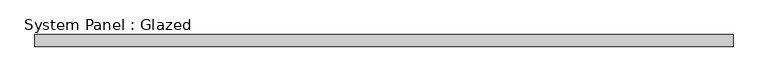
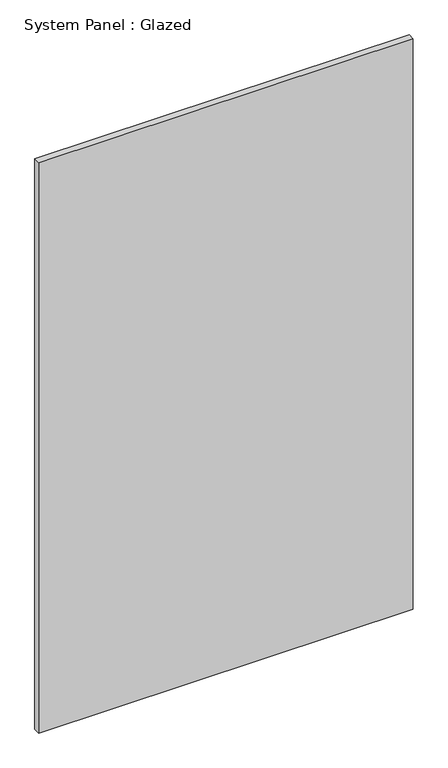
"""IFC4 building model written with IfcOpenShell, lengths in millimetres: plate geometry, System Panel : Glazed."""

from ifc_helpers import new_model, si_unit, origin, origin_with_axes, place, context, project, spatial, polyline, outline, extrude, source, transform, mapped, element, save


def system_panel_glazed_fd3fb8a2(model_context):
    return source(origin(), model_context, "Body", "SweptSolid", [
        extrude(outline(polyline([(722.2222222, 24.5), (-722.2222222, 24.5), (-722.2222222, 49.5), (722.2222222, 49.5), (722.2222222, 24.5)])), origin_with_axes(), (0.0, 0.0, 1.0), 2325.0),
    ])


if __name__ == "__main__":
    model = new_model("IFC4")
    model_context = context("Model", 3, world=origin())
    ifc_project = project(units=[si_unit("LENGTHUNIT", "METRE", prefix="MILLI")], contexts=[model_context])
    site = spatial("IfcSite", under=ifc_project)
    building = spatial("IfcBuilding", under=site)
    placement = place(None, origin())
    system_panel_glazed_shape = system_panel_glazed_fd3fb8a2(model_context)
    element("IfcPlate", 1, ObjectType="System Panel : Glazed", at=placement, inside=building, context=model_context, shape_type="MappedRepresentation", body=[
        mapped(system_panel_glazed_shape, transform((0.0, 0.0, 0.0), x_axis=(1.0, 0.0, 0.0), y_axis=(0.0, 1.0, 0.0), z_axis=(0.0, 0.0, 1.0))),
    ])
    save(model, "model.ifc")
